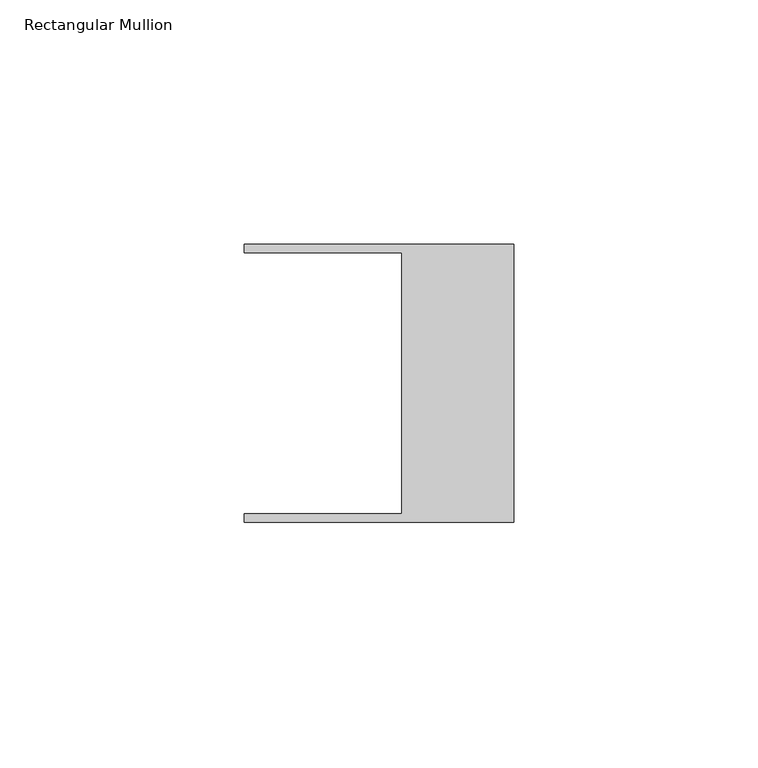
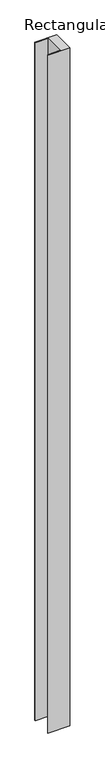
"""IFC4 building model written with IfcOpenShell, lengths in millimetres: member geometry, Rectangular Mullion."""

from ifc_helpers import new_model, si_unit, frame, origin, place, context, project, spatial, polyline, outline, extrude, source, transform, mapped, element, save


def rectangular_mullion_95812bed(model_context):
    return source(origin(), model_context, "Body", "SweptSolid", [
        extrude(outline(polyline([(-55.118, 26.67), (-55.118, 28.448), (0.0, 28.448), (0.0, -28.448), (-55.118, -28.448), (-55.118, -26.67), (-22.86, -26.67), (-22.86, 26.67), (-55.118, 26.67)])), frame((0.0, 0.0, -1809.7493308), z_axis=(0.0, 0.0, 1.0), x_axis=(1.0, 0.0, 0.0)), (0.0, 0.0, 1.0), 1809.7493308),
    ])


if __name__ == "__main__":
    model = new_model("IFC4")
    model_context = context("Model", 3, world=origin())
    ifc_project = project(units=[si_unit("LENGTHUNIT", "METRE", prefix="MILLI")], contexts=[model_context])
    site = spatial("IfcSite", under=ifc_project)
    building = spatial("IfcBuilding", under=site)
    placement = place(None, origin())
    rectangular_mullion_shape = rectangular_mullion_95812bed(model_context)
    element("IfcMember", 1, ObjectType="Rectangular Mullion", at=placement, inside=building, context=model_context, shape_type="MappedRepresentation", body=[
        mapped(rectangular_mullion_shape, transform((0.0, 0.0, 0.0), x_axis=(1.0, 0.0, 0.0), y_axis=(0.0, 1.0, 0.0), z_axis=(0.0, 0.0, 1.0))),
    ])
    save(model, "model.ifc")
